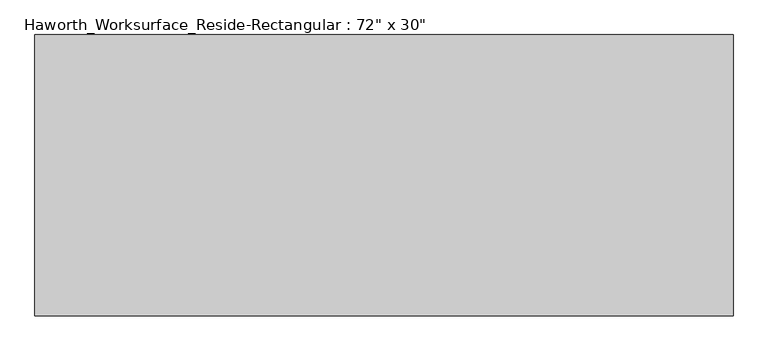
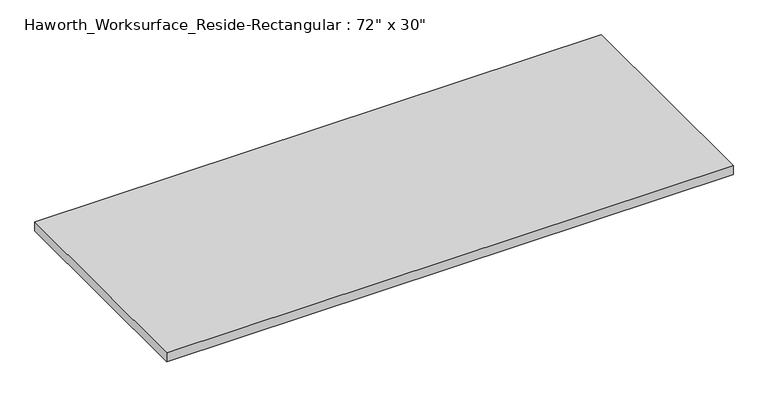
"""IFC4 building model written with IfcOpenShell, lengths in millimetres: furniture geometry."""

from ifc_helpers import new_model, si_unit, frame, origin, place, context, project, spatial, polyline, outline, extrude, source, transform, mapped, element, save


def furniture_1e764f3c(model_context):
    return source(origin(), model_context, "Body", "SweptSolid", [
        extrude(outline(polyline([(914.4, 368.3), (914.4, -368.3), (-914.4, -368.3), (-914.4, 368.3), (914.4, 368.3)])), frame((0.0, 0.0, 706.4375), z_axis=(0.0, 0.0, 1.0), x_axis=(1.0, 0.0, 0.0)), (0.0, 0.0, 1.0), 30.1625),
    ])


if __name__ == "__main__":
    model = new_model("IFC4")
    model_context = context("Model", 3, world=origin())
    ifc_project = project(units=[si_unit("LENGTHUNIT", "METRE", prefix="MILLI")], contexts=[model_context])
    site = spatial("IfcSite", under=ifc_project)
    building = spatial("IfcBuilding", under=site)
    placement = place(None, origin())
    furniture_shape = furniture_1e764f3c(model_context)
    element("IfcFurniture", 1, ObjectType="Haworth_Worksurface_Reside-Rectangular : 72\" x 30\"", at=placement, inside=building, context=model_context, shape_type="MappedRepresentation", body=[
        mapped(furniture_shape, transform((0.0, 0.0, 0.0), x_axis=(1.0, 0.0, 0.0), y_axis=(0.0, 1.0, 0.0), z_axis=(0.0, 0.0, 1.0))),
    ])
    save(model, "model.ifc")
